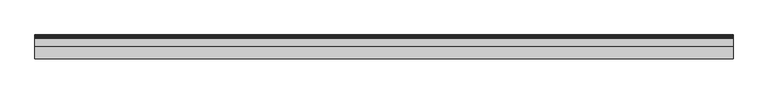
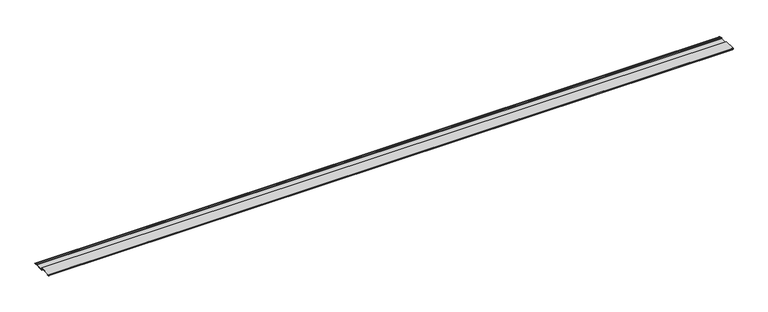
"""IFC4 building model written with IfcOpenShell, lengths in millimetres: proxy geometry."""

import ifcopenshell
import ifcopenshell.guid

model = None  # the IFC model being written
_history = None  # IfcOwnerHistory: only IFC2X3 demands one
_inside = {}  # id of a spatial element -> (the spatial element, [elements in it])
_under = {}  # id of a project, library or spatial element -> (it, [spatial elements below it])
_declared = {}  # id of a project -> (the project, [libraries it declares])
_typed = {}  # id of a type object -> (the type object, [elements of that type])
_made_of = {}  # id of a material, layer set ... -> (it, [elements and type objects made of it])


def new_model(schema):
    """Start an empty IFC model of exactly this schema.

    Asked for "IFC4X3", IfcOpenShell would pick the latest addendum, in which some entities
    have other attributes; the version numbers below select the first issue.
    IFC2X3 requires an IfcOwnerHistory on every rooted entity: one is made here for all.
    """
    global model, _history
    if schema == "IFC4X3":
        model = ifcopenshell.file(schema_version=(4, 3, 0, 0))
    else:
        model = ifcopenshell.file(schema=schema)
    _inside.clear()
    _under.clear()
    _declared.clear()
    _typed.clear()
    _made_of.clear()
    _history = None
    if model.schema == "IFC2X3":
        org = make("IfcOrganization", Name="unknown")
        user = make(
            "IfcPersonAndOrganization",
            ThePerson=make("IfcPerson", FamilyName="unknown"),
            TheOrganization=org,
        )
        app = make(
            "IfcApplication",
            ApplicationDeveloper=org,
            Version="unknown",
            ApplicationFullName="unknown",
            ApplicationIdentifier="unknown",
        )
        _history = make(
            "IfcOwnerHistory",
            OwningUser=user,
            OwningApplication=app,
            ChangeAction="ADDED",
            CreationDate=0,
        )
    return model


def make(cls, **values):
    """One entity of the class cls with the attributes given. An attribute that is None is left unset."""
    return model.create_entity(
        cls, **{name: value for name, value in values.items() if value is not None}
    )


def rooted(cls, **values):
    """An entity with a GlobalId (a new one), such as an element, a storey or a relation."""
    return make(cls, GlobalId=ifcopenshell.guid.new(), OwnerHistory=_history, **values)


def si_unit(unit_type, name, prefix=None):
    """IfcSIUnit, for example si_unit("LENGTHUNIT", "METRE", prefix="MILLI")."""
    return make("IfcSIUnit", UnitType=unit_type, Prefix=prefix, Name=name)


def assignment(units):
    """IfcUnitAssignment: the units of a project."""
    return None if units is None else make("IfcUnitAssignment", Units=units)


def point(xyz):
    """IfcCartesianPoint."""
    return None if xyz is None else make("IfcCartesianPoint", Coordinates=xyz)


def direction(xyz):
    """IfcDirection."""
    return None if xyz is None else make("IfcDirection", DirectionRatios=xyz)


def frame(location, z_axis=None, x_axis=None):
    """IfcAxis2Placement3D, a coordinate frame: its origin and axes. An axis left out is left unset."""
    return make(
        "IfcAxis2Placement3D",
        Location=point(location),
        Axis=direction(z_axis),
        RefDirection=direction(x_axis),
    )


def frame_2d(location, x_axis=None):
    """IfcAxis2Placement2D, a coordinate frame in the plane: its origin and x axis."""
    return make(
        "IfcAxis2Placement2D", Location=point(location), RefDirection=direction(x_axis)
    )


def origin():
    """The frame at (0, 0, 0) with its axes left unset."""
    return frame((0.0, 0.0, 0.0))


def place(relative_to, where):
    """IfcLocalPlacement: puts the frame where relative to a parent placement (None: the world)."""
    return make(
        "IfcLocalPlacement", PlacementRelTo=relative_to, RelativePlacement=where
    )


def context(
    kind, dimensions, precision=None, world=None, true_north=None, identifier=None
):
    """IfcGeometricRepresentationContext, for example the 3D "Model" context."""
    return make(
        "IfcGeometricRepresentationContext",
        ContextIdentifier=identifier,
        ContextType=kind,
        CoordinateSpaceDimension=dimensions,
        Precision=precision,
        WorldCoordinateSystem=world,
        TrueNorth=true_north,
    )


def project(units=None, contexts=None):
    """IfcProject with its units and contexts."""
    return rooted(
        "IfcProject",
        Name="project",
        RepresentationContexts=contexts,
        UnitsInContext=assignment(units),
    )


def spatial(cls, under=None, at=None, **own):
    """A site, building, storey or space (cls), placed at a placement, below another one or the project."""
    s = rooted(cls, ObjectPlacement=at, **own)
    if under is not None:
        _under.setdefault(under.id(), (under, []))[1].append(s)
    return s


def polyline(points):
    """IfcPolyline through the points."""
    return make("IfcPolyline", Points=[point(p) for p in points])


def circle_curve(where, radius):
    """IfcCircle in the frame where."""
    return make("IfcCircle", Position=where, Radius=radius)


def trimmed(basis, trim1, trim2, sense, master):
    """IfcTrimmedCurve: the piece of a basis curve between two trims."""
    return make(
        "IfcTrimmedCurve",
        BasisCurve=basis,
        Trim1=trim1,
        Trim2=trim2,
        SenseAgreement=sense,
        MasterRepresentation=master,
    )


def segment(curve, same_sense, transition):
    """IfcCompositeCurveSegment."""
    return make(
        "IfcCompositeCurveSegment",
        Transition=transition,
        SameSense=same_sense,
        ParentCurve=curve,
    )


def composite_curve(segments, self_intersect=None):
    """IfcCompositeCurve: segments joined end to end."""
    return make("IfcCompositeCurve", Segments=segments, SelfIntersect=self_intersect)


def outline(outer, holes=None, kind="AREA"):
    """IfcArbitraryClosedProfileDef: a profile drawn as a closed curve; with holes, ...WithVoids."""
    if holes is None:
        return make("IfcArbitraryClosedProfileDef", ProfileType=kind, OuterCurve=outer)
    return make(
        "IfcArbitraryProfileDefWithVoids",
        ProfileType=kind,
        OuterCurve=outer,
        InnerCurves=holes,
    )


def extrude(swept, where, along, depth):
    """IfcExtrudedAreaSolid: the profile swept, set in the frame where, extruded along a direction by depth."""
    return make(
        "IfcExtrudedAreaSolid",
        SweptArea=swept,
        Position=where,
        ExtrudedDirection=direction(along),
        Depth=depth,
    )


def shape(context_of_items, identifier, shape_type, items):
    """IfcShapeRepresentation: the items that make up one representation, for example the "Body"."""
    return make(
        "IfcShapeRepresentation",
        ContextOfItems=context_of_items,
        RepresentationIdentifier=identifier,
        RepresentationType=shape_type,
        Items=items,
    )


def source(mapping_origin, context_of_items, identifier, shape_type, items):
    """IfcRepresentationMap: a shape defined once, which mapped items show again and again."""
    return make(
        "IfcRepresentationMap",
        MappingOrigin=mapping_origin,
        MappedRepresentation=shape(context_of_items, identifier, shape_type, items),
    )


def transform(
    local_origin,
    x_axis=None,
    y_axis=None,
    z_axis=None,
    scale=None,
    scale2=None,
    scale3=None,
    uniform=True,
):
    """IfcCartesianTransformationOperator3D, or its non-uniform kind. x_axis, y_axis, z_axis: its Axis1, 2, 3."""
    if uniform:
        return make(
            "IfcCartesianTransformationOperator3D",
            Axis1=direction(x_axis),
            Axis2=direction(y_axis),
            LocalOrigin=point(local_origin),
            Scale=scale,
            Axis3=direction(z_axis),
        )
    return make(
        "IfcCartesianTransformationOperator3DnonUniform",
        Axis1=direction(x_axis),
        Axis2=direction(y_axis),
        LocalOrigin=point(local_origin),
        Scale=scale,
        Axis3=direction(z_axis),
        Scale2=scale2,
        Scale3=scale3,
    )


def mapped(mapping_source, mapping_target):
    """IfcMappedItem: shows the shape of a source again, moved by a transform."""
    return make(
        "IfcMappedItem", MappingSource=mapping_source, MappingTarget=mapping_target
    )


def made_of(thing, what):
    """Note that an element or type object is made of a material, layer set ...; save() writes the relation."""
    if what is not None:
        _made_of.setdefault(what.id(), (what, []))[1].append(thing)
    return thing


def element(
    cls,
    number,
    at=None,
    inside=None,
    cuts=None,
    type_object=None,
    material=None,
    context=None,
    identifier="Body",
    shape_type=None,
    held_by="IfcProductDefinitionShape",
    body=None,
    shapes=None,
    **own,
):
    """One element of the class cls, such as IfcWall. Its Tag is "e" and its number.

    at: its placement. inside: the storey or other place that contains it. cuts: it is an
    opening in that element (IfcRelVoidsElement). A single representation is given by context,
    identifier, shape_type and body (its items); several are given by shapes. held_by: the class
    of the entity that holds the representations. save() writes the other relations.
    """
    e = rooted(cls, Tag="e%d" % number, ObjectPlacement=at, **own)
    if body is not None:
        shapes = [shape(context, identifier, shape_type, body)]
    if shapes is not None:
        e.Representation = make(held_by, Representations=shapes)
    if inside is not None:
        _inside.setdefault(inside.id(), (inside, []))[1].append(e)
    if cuts is not None:
        rooted(
            "IfcRelVoidsElement", RelatingBuildingElement=cuts, RelatedOpeningElement=e
        )
    if type_object is not None:
        _typed.setdefault(type_object.id(), (type_object, []))[1].append(e)
    return made_of(e, material)


def aggregate(whole, parts):
    """IfcRelAggregates: a whole, such as a stair, and the parts it consists of."""
    return rooted("IfcRelAggregates", RelatingObject=whole, RelatedObjects=parts)


def save(model, path):
    """Write the relations noted so far, then the file.

    IfcRelAggregates (storeys below a building ...), IfcRelContainedInSpatialStructure (elements
    in a storey), IfcRelDefinesByType, IfcRelAssociatesMaterial and IfcRelDeclares: one each for
    every whole, place, type object, material and project.
    """
    for whole, parts in _under.values():
        aggregate(whole, parts)
    for where, things in _inside.values():
        rooted(
            "IfcRelContainedInSpatialStructure",
            RelatedElements=things,
            RelatingStructure=where,
        )
    for kind, things in _typed.values():
        rooted("IfcRelDefinesByType", RelatedObjects=things, RelatingType=kind)
    for what, things in _made_of.values():
        rooted("IfcRelAssociatesMaterial", RelatedObjects=things, RelatingMaterial=what)
    for by, libraries in _declared.values():
        rooted("IfcRelDeclares", RelatingContext=by, RelatedDefinitions=libraries)
    model.write(path)


def generic_models_20390b7d(model_context):
    return source(origin(), model_context, "Body", "SweptSolid", [
        extrude(outline(composite_curve([segment(polyline([(57.8495025, 1.854), (57.8495025, 11.6036962), (2.436262, 11.6036962)]), True, "CONTINUOUS"), segment(trimmed(circle_curve(frame_2d((2.436262, 10.9336947)), 0.6700015), [point((2.436262, 11.6036962))], [point((2.436262, 10.2636933))], True, "CARTESIAN"), True, "CONTINUOUS"), segment(polyline([(2.436262, 10.2636933), (4.0006066, 10.2636933)]), True, "CONTINUOUS"), segment(trimmed(circle_curve(frame_2d((4.9835987, 10.4728624)), 1.005), [point((4.0006066, 10.2636933))], [point((4.9575624, 9.4681997))], True, "CARTESIAN"), True, "CONTINUOUS"), segment(polyline([(4.9575624, 9.4681997), (6.2058546, 9.4358497)]), True, "CONTINUOUS"), segment(trimmed(circle_curve(frame_2d((6.1490182, 7.2426952)), 2.1938908), [point((6.2058546, 9.4358497))], [point((6.1455527, 5.0488071))], False, "CARTESIAN"), True, "CONTINUOUS"), segment(polyline([(6.1455527, 5.0488071), (2.3476255, 5.0488071)]), True, "CONTINUOUS"), segment(trimmed(circle_curve(frame_2d((2.3476255, 5.699422)), 0.6506149), [point((2.3476255, 5.0488071))], [point((2.3476259, 6.3500369))], False, "CARTESIAN"), True, "CONTINUOUS"), segment(polyline([(2.3476259, 6.3500369), (4.5055298, 6.4677115), (6.1490182, 6.4677115)]), True, "CONTINUOUS"), segment(trimmed(circle_curve(frame_2d((6.1490182, 7.3677118)), 0.9000003), [point((6.1490182, 6.4677115))], [point((6.1490182, 8.2677121))], True, "CARTESIAN"), True, "CONTINUOUS"), segment(polyline([(6.1490182, 8.2677121), (4.0181339, 8.2677121), (3.0096612, 8.8536942), (2.09001, 8.8536942), (1.1757961, 8.3536948), (0.3264506, 8.3536948), (0.0, 12.2536957), (0.0, 13.2537076), (59.4994972, 13.2537076), (59.4994972, 3.5037166), (101.6, 3.5037166), (101.6, 8.1468032), (107.4433477, 8.1468032)]), True, "CONTINUOUS"), segment(trimmed(circle_curve(frame_2d((107.4358227, 7.3867821)), 0.7600583), [point((107.4433477, 8.1468032))], [point((107.4304481, 6.6267428))], False, "CARTESIAN"), True, "CONTINUOUS"), segment(polyline([(107.4304481, 6.6267428), (103.1949972, 6.6267428), (103.1949972, 3.5037076), (110.4982866, 3.5037076), (111.2555849, 2.8682589), (117.0481714, 2.8682589), (117.8054698, 3.5036102), (118.7627902, 3.5036102)]), True, "CONTINUOUS"), segment(trimmed(circle_curve(frame_2d((118.7627902, 2.6788051)), 0.8248051), [point((118.7627902, 3.5036102))], [point((118.7627902, 1.854))], False, "CARTESIAN"), True, "CONTINUOUS"), segment(polyline([(118.7627902, 1.854), (57.8495025, 1.854)]), True, "CONTINUOUS")], self_intersect=False)), frame((0.0, 0.0, 0.0), z_axis=(1.0, 0.0, 0.0), x_axis=(0.0, 1.0, 0.0)), (0.0, 0.0, 1.0), 3505.2),
    ])


if __name__ == "__main__":
    model = new_model("IFC4")
    model_context = context("Model", 3, world=origin())
    ifc_project = project(units=[si_unit("LENGTHUNIT", "METRE", prefix="MILLI")], contexts=[model_context])
    site = spatial("IfcSite", under=ifc_project)
    building = spatial("IfcBuilding", under=site)
    placement = place(None, origin())
    generic_models_shape = generic_models_20390b7d(model_context)
    element("IfcBuildingElementProxy", 1, Name="Generic Models", at=placement, inside=building, context=model_context, shape_type="MappedRepresentation", body=[
        mapped(generic_models_shape, transform((0.0, 0.0, 0.0), x_axis=(1.0, 0.0, 0.0), y_axis=(0.0, 1.0, 0.0), z_axis=(0.0, 0.0, 1.0))),
    ])
    save(model, "model.ifc")
